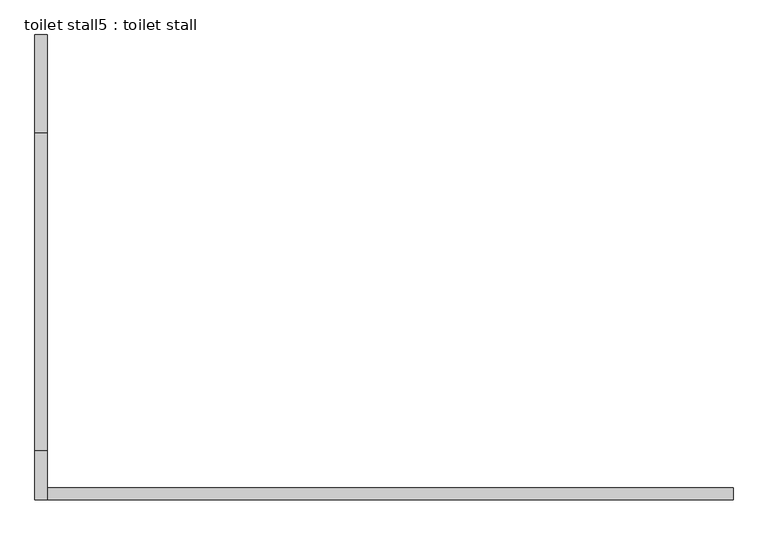
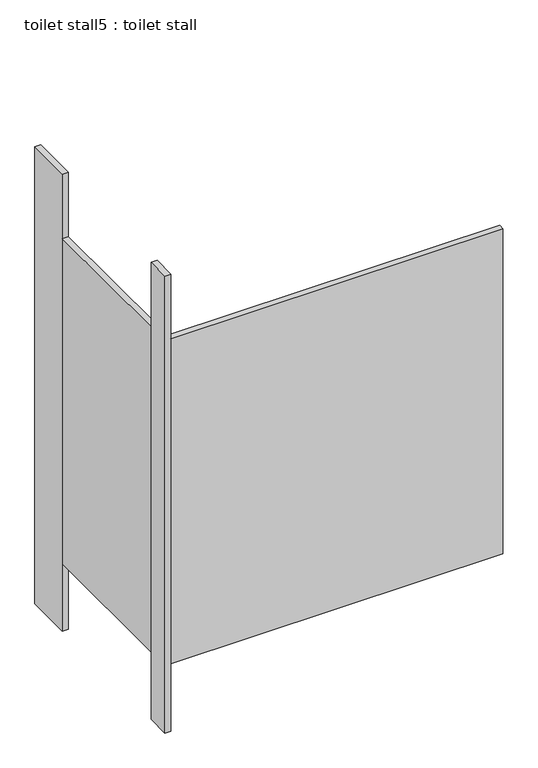
"""IFC4 building model written with IfcOpenShell, lengths in millimetres: proxy geometry, toilet stall5 : toilet stall."""

from ifc_helpers import new_model, si_unit, frame, origin, origin_with_axes, place, context, project, spatial, polyline, outline, extrude, source, transform, mapped, element, save


def toilet_stall5_toilet_stall_e1965095(model_context):
    return source(origin(), model_context, "Body", "SweptSolid", [
        extrude(outline(polyline([(454658.2004676, -267458.0113632), (454632.8004676, -267458.0113632), (454632.8004676, -267254.8113632), (454658.2004676, -267254.8113632), (454658.2004676, -267458.0113632)])), origin_with_axes(), (0.0, 0.0, 1.0), 2070.1),
        extrude(outline(polyline([(454658.2004676, -268220.0113632), (454632.8004676, -268220.0113632), (454632.8004676, -268118.4113632), (454658.2004676, -268118.4113632), (454658.2004676, -268220.0113632)])), origin_with_axes(), (0.0, 0.0, 1.0), 2070.1),
        extrude(outline(polyline([(454658.2004676, -268220.0113632), (454658.2004676, -268194.6113632), (456080.6004676, -268194.6113632), (456080.6004676, -268220.0113632), (454658.2004676, -268220.0113632)])), frame((0.0, 0.0, 304.8), z_axis=(0.0, 0.0, 1.0), x_axis=(1.0, 0.0, 0.0)), (0.0, 0.0, 1.0), 1473.2),
        extrude(outline(polyline([(454658.2004676, -268118.4113632), (454632.8004676, -268118.4113632), (454632.8004676, -267458.0113632), (454658.2004676, -267458.0113632), (454658.2004676, -268118.4113632)])), frame((0.0, 0.0, 304.8), z_axis=(0.0, 0.0, 1.0), x_axis=(1.0, 0.0, 0.0)), (0.0, 0.0, 1.0), 1473.2),
    ])


if __name__ == "__main__":
    model = new_model("IFC4")
    model_context = context("Model", 3, world=origin())
    ifc_project = project(units=[si_unit("LENGTHUNIT", "METRE", prefix="MILLI")], contexts=[model_context])
    site = spatial("IfcSite", under=ifc_project)
    building = spatial("IfcBuilding", under=site)
    placement = place(None, origin())
    toilet_stall5_toilet_stall_shape = toilet_stall5_toilet_stall_e1965095(model_context)
    element("IfcBuildingElementProxy", 1, Name="toilet stall5 : toilet stall", ObjectType="toilet stall5 : toilet stall", at=placement, inside=building, context=model_context, shape_type="MappedRepresentation", body=[
        mapped(toilet_stall5_toilet_stall_shape, transform((0.0, 0.0, 0.0), x_axis=(1.0, 0.0, 0.0), y_axis=(0.0, 1.0, 0.0), z_axis=(0.0, 0.0, 1.0))),
    ])
    save(model, "model.ifc")
